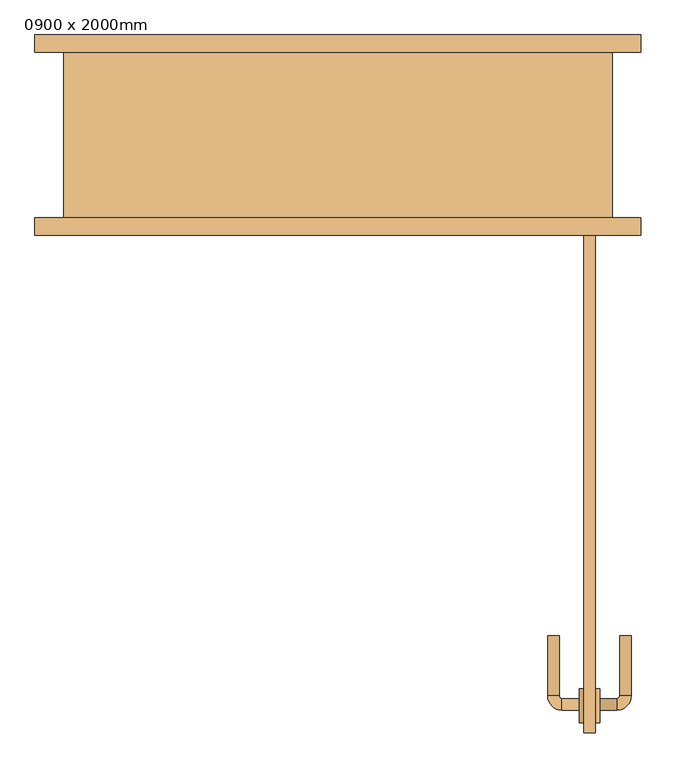
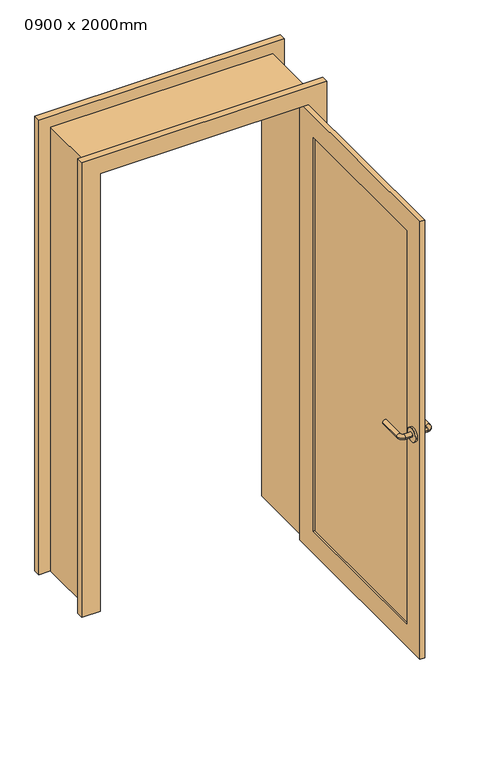
"""IFC4 building model written with IfcOpenShell, lengths in millimetres: door geometry, 0900 x 2000mm."""

from ifc_helpers import new_model, si_unit, point, frame, frame_2d, origin, place, context, project, spatial, polyline, circle_curve, ellipse_curve, trimmed, segment, composite_curve, outline, extrude, faceted_brep, source, transform, mapped, element, save
from ifc_brep_helpers import plane_surface, cylinder_surface, revolved_surface, advanced_brep


def door_0900_x_2000mm_b955213f(model_context):
    return source(origin(), model_context, "Body", "SolidModel", [
        advanced_brep(
        [(422.0, -1005.0, 1000.0), (422.0, -985.0, 1000.0), (392.0, -1005.0, 1000.0), (392.0, -985.0, 1000.0), (387.0, -980.0, 1000.0), (367.0, -980.0, 1000.0), (367.0, -875.0, 1000.0), (387.0, -875.0, 1000.0)],
        [
            (0, 1, circle_curve(frame((422.0, -995.0, 1000.0), z_axis=(1.0, 0.0, 0.0), x_axis=(0.0, 0.9999999999999989, 0.0)), 10.0)),
            (1, 0, circle_curve(frame((422.0, -995.0, 1000.0), z_axis=(1.0, 0.0, 0.0), x_axis=(0.0, 0.9999999999999989, 0.0)), 10.0)),
            (0, 2),
            (2, 3, circle_curve(frame((392.0, -995.0, 1000.0), z_axis=(1.0, 0.0, 0.0), x_axis=(0.0, 0.9999999999999989, 0.0)), 10.0)),
            (3, 1),
            (3, 2, circle_curve(frame((392.0, -995.0, 1000.0), z_axis=(1.0, 0.0, 0.0), x_axis=(0.0, 0.9999999999999989, 0.0)), 10.0)),
            (4, 3, circle_curve(frame((392.0, -980.0, 1000.0), z_axis=(0.0, 0.0, 1.0), x_axis=(0.0, -0.9999999999999989, 0.0)), 5.0)),
            (2, 5, circle_curve(frame((392.0, -980.0, 1000.0), z_axis=(0.0, 0.0, -1.0), x_axis=(0.0, -0.9999999999999989, 0.0)), 25.0)),
            (5, 4, circle_curve(frame((377.0, -980.0, 1000.0), z_axis=(0.0, -0.9999999999999989, 0.0), x_axis=(0.9999999999999989, 0.0, 0.0)), 10.0)),
            (4, 5, circle_curve(frame((377.0, -980.0, 1000.0), z_axis=(0.0, -0.9999999999999989, 0.0), x_axis=(0.9999999999999989, 0.0, 0.0)), 10.0)),
            (6, 7, circle_curve(frame((377.0, -875.0, 1000.0), z_axis=(0.0, 1.0, 0.0), x_axis=(0.9999999999999989, 0.0, 0.0)), 10.0)),
            (7, 6, circle_curve(frame((377.0, -875.0, 1000.0), z_axis=(0.0, 1.0, 0.0), x_axis=(0.9999999999999989, 0.0, 0.0)), 10.0)),
            (5, 6),
            (7, 4),
        ],
        [
            plane_surface(frame((422.0, -995.0, 1000.0), z_axis=(1.0, 0.0, 0.0), x_axis=(0.0, 0.0, 1.0))),
            cylinder_surface(frame((422.0, -995.0, 1000.0), z_axis=(0.9999999999999989, 0.0, 0.0), x_axis=(0.0, 0.9999999999999989, 0.0)), 10.0),
            revolved_surface(trimmed(ellipse_curve(frame((392.0, -995.0, 1000.0), z_axis=(0.9999999999999989, 0.0, 0.0), x_axis=(0.0, 0.9999999999999989, 0.0)), 10.0, 10.0), [point((392.0, -1005.0, 1000.0))], [point((392.0, -985.0, 1000.0))], True, "CARTESIAN"), (392.0, -980.0, 1000.0), (0.0, 0.0, -1.0)),
            revolved_surface(trimmed(ellipse_curve(frame((392.0, -995.0, 1000.0), z_axis=(0.9999999999999989, 0.0, 0.0), x_axis=(0.0, 0.9999999999999989, 0.0)), 10.0, 10.0), [point((392.0, -985.0, 1000.0))], [point((392.0, -1005.0, 1000.0))], True, "CARTESIAN"), (392.0, -980.0, 1000.0), (0.0, 0.0, -1.0)),
            plane_surface(frame((377.0, -875.0, 1000.0), z_axis=(0.0, 1.0, 0.0), x_axis=(0.0, 0.0, 1.0))),
            cylinder_surface(frame((377.0, -980.0, 1000.0), z_axis=(0.0, -0.9999999999999989, 0.0), x_axis=(0.9999999999999989, 0.0, 0.0)), 10.0),
        ],
        [
            (0, [[1, 2]]),
            (1, [[-1, 3, 4, 5]]),
            (1, [[-2, -5, 6, -3]]),
            (2, [[7, -4, 8, 9]]),
            (3, [[-8, -6, -7, 10]]),
            (4, [[11, 12]]),
            (5, [[-9, 13, -12, 14]]),
            (5, [[-10, -14, -11, -13]]),
        ],
    ),
        extrude(outline(composite_curve([segment(trimmed(circle_curve(frame_2d((-997.5, 1000.0)), 30.0), [point((-1027.5, 1000.0))], [point((-967.5, 1000.0))], False, "CARTESIAN"), True, "CONTINUOUS"), segment(trimmed(circle_curve(frame_2d((-997.5, 1000.0)), 30.0), [point((-967.5, 1000.0))], [point((-1027.5, 1000.0))], False, "CARTESIAN"), True, "CONTINUOUS")], self_intersect=False)), frame((422.0, 0.0, 0.0), z_axis=(1.0, 0.0, 0.0), x_axis=(0.0, 1.0, 0.0)), (0.0, 0.0, 1.0), 8.0),
        advanced_brep(
        [(458.0, -1005.0, 1000.0), (458.0, -985.0, 1000.0), (488.0, -985.0, 1000.0), (488.0, -1005.0, 1000.0), (493.0, -980.0, 1000.0), (513.0, -980.0, 1000.0), (513.0, -875.0, 1000.0), (493.0, -875.0, 1000.0)],
        [
            (0, 1, circle_curve(frame((458.0, -995.0, 1000.0), z_axis=(-1.0, 0.0, 0.0), x_axis=(0.0, 0.9999999999999993, 0.0)), 10.0)),
            (1, 0, circle_curve(frame((458.0, -995.0, 1000.0), z_axis=(-1.0, 0.0, 0.0), x_axis=(0.0, 0.9999999999999993, 0.0)), 10.0)),
            (1, 2),
            (2, 3, circle_curve(frame((488.0, -995.0, 1000.0), z_axis=(-1.0, 0.0, 0.0), x_axis=(0.0, 0.9999999999999993, 0.0)), 10.0)),
            (3, 0),
            (3, 2, circle_curve(frame((488.0, -995.0, 1000.0), z_axis=(-1.0, 0.0, 0.0), x_axis=(0.0, 0.9999999999999993, 0.0)), 10.0)),
            (4, 5, circle_curve(frame((503.0, -980.0, 1000.0), z_axis=(0.0, -0.9999999999999993, 0.0), x_axis=(-0.9999999999999993, 0.0, 0.0)), 10.0)),
            (5, 3, circle_curve(frame((488.0, -980.0, 1000.0), z_axis=(0.0, 0.0, -1.0), x_axis=(0.0, -0.9999999999999993, 0.0)), 25.0)),
            (2, 4, circle_curve(frame((488.0, -980.0, 1000.0), z_axis=(0.0, 0.0, 1.0), x_axis=(0.0, -0.9999999999999993, 0.0)), 5.0)),
            (5, 4, circle_curve(frame((503.0, -980.0, 1000.0), z_axis=(0.0, -0.9999999999999993, 0.0), x_axis=(-0.9999999999999993, 0.0, 0.0)), 10.0)),
            (6, 7, circle_curve(frame((503.0, -875.0, 1000.0), z_axis=(0.0, 1.0, 0.0), x_axis=(-0.9999999999999993, 0.0, 0.0)), 10.0)),
            (7, 6, circle_curve(frame((503.0, -875.0, 1000.0), z_axis=(0.0, 1.0, 0.0), x_axis=(-0.9999999999999993, 0.0, 0.0)), 10.0)),
            (4, 7),
            (6, 5),
        ],
        [
            plane_surface(frame((458.0, -995.0, 1000.0), z_axis=(-1.0, 0.0, 0.0), x_axis=(0.0, 0.0, 1.0))),
            cylinder_surface(frame((458.0, -995.0, 1000.0), z_axis=(-0.9999999999999993, 0.0, 0.0), x_axis=(0.0, 0.9999999999999993, 0.0)), 10.0),
            revolved_surface(trimmed(ellipse_curve(frame((488.0, -995.0, 1000.0), z_axis=(0.9999999999999993, 0.0, 0.0), x_axis=(0.0, 0.9999999999999993, 0.0)), 10.0, 10.0), [point((488.0, -1005.0, 1000.0))], [point((488.0, -985.0, 1000.0))], True, "CARTESIAN"), (488.0, -980.0, 1000.0), (0.0, 0.0, -1.0)),
            revolved_surface(trimmed(ellipse_curve(frame((488.0, -995.0, 1000.0), z_axis=(0.9999999999999993, 0.0, 0.0), x_axis=(0.0, 0.9999999999999993, 0.0)), 10.0, 10.0), [point((488.0, -985.0, 1000.0))], [point((488.0, -1005.0, 1000.0))], True, "CARTESIAN"), (488.0, -980.0, 1000.0), (0.0, 0.0, -1.0)),
            plane_surface(frame((503.0, -875.0, 1000.0), z_axis=(0.0, 1.0, 0.0), x_axis=(0.0, 0.0, 1.0))),
            cylinder_surface(frame((503.0, -980.0, 1000.0), z_axis=(0.0, -0.9999999999999993, 0.0), x_axis=(-0.9999999999999993, 0.0, 0.0)), 10.0),
        ],
        [
            (0, [[1, 2]]),
            (1, [[3, 4, 5, -2]]),
            (1, [[-5, 6, -3, -1]]),
            (2, [[7, 8, -4, 9]]),
            (3, [[10, -9, -6, -8]]),
            (4, [[11, 12]]),
            (5, [[13, -11, 14, -7]]),
            (5, [[-14, -12, -13, -10]]),
        ],
    ),
        extrude(outline(composite_curve([segment(trimmed(circle_curve(frame_2d((-997.5, 1000.0)), 30.0), [point((-1027.5, 1000.0))], [point((-967.5, 1000.0))], False, "CARTESIAN"), True, "CONTINUOUS"), segment(trimmed(circle_curve(frame_2d((-997.5, 1000.0)), 30.0), [point((-967.5, 1000.0))], [point((-1027.5, 1000.0))], False, "CARTESIAN"), True, "CONTINUOUS")], self_intersect=False)), frame((450.0, 0.0, 0.0), z_axis=(1.0, 0.0, 0.0), x_axis=(0.0, 1.0, 0.0)), (0.0, 0.0, 1.0), 8.0),
        extrude(outline(polyline([(437.5, -245.0), (442.5, -245.0), (442.5, -945.0), (437.5, -945.0), (437.5, -245.0)])), frame((0.0, 0.0, 100.0), z_axis=(0.0, 0.0, 1.0), x_axis=(1.0, 0.0, 0.0)), (0.0, 0.0, 1.0), 1800.0),
        faceted_brep([(-480.0, -145.0, 0.0), (-480.0, 145.0, 0.0), (-530.0, 145.0, 0.0), (-530.0, 175.0, 0.0), (-450.0, 175.0, 0.0), (-450.0, -175.0, 0.0), (-530.0, -175.0, 0.0), (-530.0, -145.0, 0.0), (-530.0, -145.0, 2080.0), (530.0, -145.0, 2080.0), (530.0, -145.0, 0.0), (480.0, -145.0, 0.0), (480.0, -145.0, 2030.0), (-480.0, -145.0, 2030.0), (-530.0, -175.0, 2080.0), (-450.0, -175.0, 2000.0), (450.0, -175.0, 2000.0), (450.0, -175.0, 0.0), (530.0, -175.0, 0.0), (530.0, -175.0, 2080.0), (-450.0, 175.0, 2000.0), (-530.0, 175.0, 2080.0), (530.0, 175.0, 2080.0), (530.0, 175.0, 0.0), (450.0, 175.0, 0.0), (450.0, 175.0, 2000.0), (-530.0, 145.0, 2080.0), (-480.0, 145.0, 2030.0), (480.0, 145.0, 2030.0), (480.0, 145.0, 0.0), (530.0, 145.0, 0.0), (530.0, 145.0, 2080.0)], [[[0, 1, 2, 3, 4, 5, 6, 7]], [[7, 8, 9, 10, 11, 12, 13, 0]], [[6, 14, 8, 7]], [[5, 15, 16, 17, 18, 19, 14, 6]], [[4, 20, 15, 5]], [[3, 21, 22, 23, 24, 25, 20, 4]], [[2, 26, 21, 3]], [[1, 27, 28, 29, 30, 31, 26, 2]], [[0, 13, 27, 1]], [[12, 11, 29, 28]], [[11, 10, 18, 17, 24, 23, 30, 29]], [[19, 18, 10, 9]], [[25, 24, 17, 16]], [[31, 30, 23, 22]], [[14, 19, 9, 8]], [[20, 25, 16, 15]], [[26, 31, 22, 21]], [[13, 12, 28, 27]]]),
        extrude(outline(polyline([(-145.0, 2000.0), (-145.0, 0.0), (-1045.0, 0.0), (-1045.0, 2000.0), (-145.0, 2000.0)]), holes=[polyline([(-945.0, 100.0), (-245.0, 100.0), (-245.0, 1900.0), (-945.0, 1900.0), (-945.0, 100.0)])]), frame((430.0, 0.0, 0.0), z_axis=(1.0, 0.0, 0.0), x_axis=(0.0, 1.0, 0.0)), (0.0, 0.0, 1.0), 20.0),
    ])


if __name__ == "__main__":
    model = new_model("IFC4")
    model_context = context("Model", 3, world=origin())
    ifc_project = project(units=[si_unit("LENGTHUNIT", "METRE", prefix="MILLI")], contexts=[model_context])
    site = spatial("IfcSite", under=ifc_project)
    building = spatial("IfcBuilding", under=site)
    placement = place(None, origin())
    door_0900_x_2000mm_shape = door_0900_x_2000mm_b955213f(model_context)
    element("IfcDoor", 1, ObjectType="0900 x 2000mm", at=placement, inside=building, context=model_context, shape_type="MappedRepresentation", body=[
        mapped(door_0900_x_2000mm_shape, transform((0.0, 0.0, 0.0), x_axis=(1.0, 0.0, 0.0), y_axis=(0.0, 1.0, 0.0), z_axis=(0.0, 0.0, 1.0))),
    ])
    save(model, "model.ifc")
